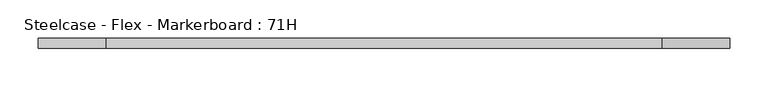
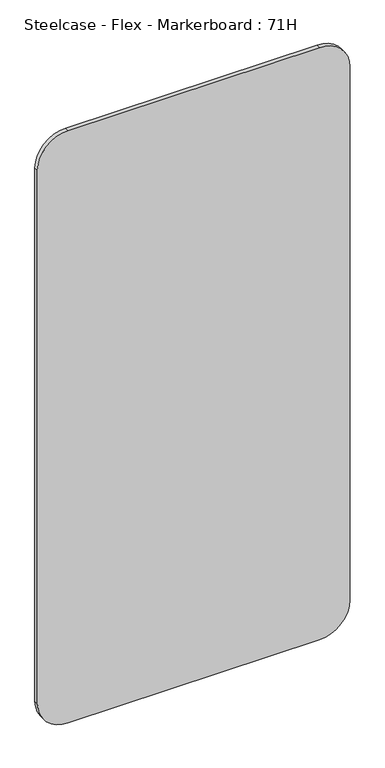
"""IFC4 building model written with IfcOpenShell, lengths in millimetres: furniture geometry, Steelcase - Flex - Markerboard : 71H."""

from ifc_helpers import new_model, si_unit, point, frame, frame_2d, origin, place, context, project, spatial, polyline, circle_curve, trimmed, segment, composite_curve, outline, extrude, source, transform, mapped, element, save


def steelcase_flex_markerboard_71h_0d276f86(model_context):
    return source(origin(), model_context, "Body", "SweptSolid", [
        extrude(outline(composite_curve([segment(polyline([(1803.4, 812.8), (1803.4, 88.9)]), True, "CONTINUOUS"), segment(trimmed(circle_curve(frame_2d((1714.5, 88.9)), 88.9), [point((1803.4, 88.9))], [point((1714.5, 0.0))], False, "CARTESIAN"), True, "CONTINUOUS"), segment(polyline([(1714.5, 0.0), (88.9, 0.0)]), True, "CONTINUOUS"), segment(trimmed(circle_curve(frame_2d((88.9, 88.9)), 88.9), [point((88.9, 0.0))], [point((0.0, 88.9))], False, "CARTESIAN"), True, "CONTINUOUS"), segment(polyline([(0.0, 88.9), (0.0, 812.8)]), True, "CONTINUOUS"), segment(trimmed(circle_curve(frame_2d((88.9, 812.8)), 88.9), [point((0.0, 812.8))], [point((88.9, 901.7))], False, "CARTESIAN"), True, "CONTINUOUS"), segment(polyline([(88.9, 901.7), (1714.5, 901.7)]), True, "CONTINUOUS"), segment(trimmed(circle_curve(frame_2d((1714.5, 812.8)), 88.9), [point((1714.5, 901.7))], [point((1803.4, 812.8))], False, "CARTESIAN"), True, "CONTINUOUS")], self_intersect=False)), frame((0.0, -12.6955961, 0.0), z_axis=(0.0, 1.0, 0.0), x_axis=(0.0, 0.0, 1.0)), (0.0, 0.0, 1.0), 12.6955961),
    ])


if __name__ == "__main__":
    model = new_model("IFC4")
    model_context = context("Model", 3, world=origin())
    ifc_project = project(units=[si_unit("LENGTHUNIT", "METRE", prefix="MILLI")], contexts=[model_context])
    site = spatial("IfcSite", under=ifc_project)
    building = spatial("IfcBuilding", under=site)
    placement = place(None, origin())
    steelcase_flex_markerboard_71h_shape = steelcase_flex_markerboard_71h_0d276f86(model_context)
    element("IfcFurniture", 1, ObjectType="Steelcase - Flex - Markerboard : 71H", at=placement, inside=building, context=model_context, shape_type="MappedRepresentation", body=[
        mapped(steelcase_flex_markerboard_71h_shape, transform((0.0, 0.0, 0.0), x_axis=(1.0, 0.0, 0.0), y_axis=(0.0, 1.0, 0.0), z_axis=(0.0, 0.0, 1.0))),
    ])
    save(model, "model.ifc")
